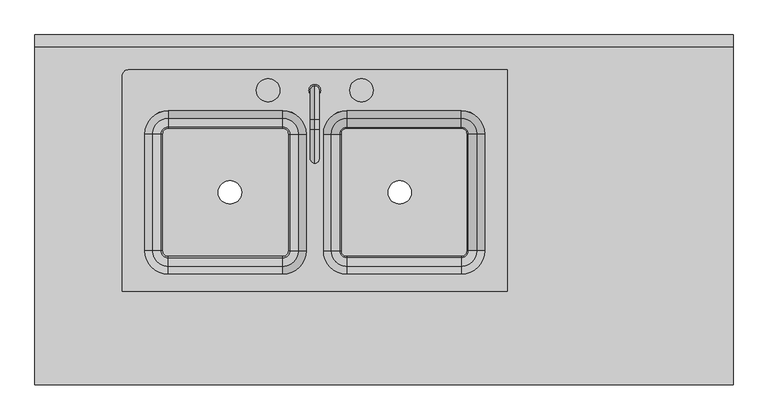
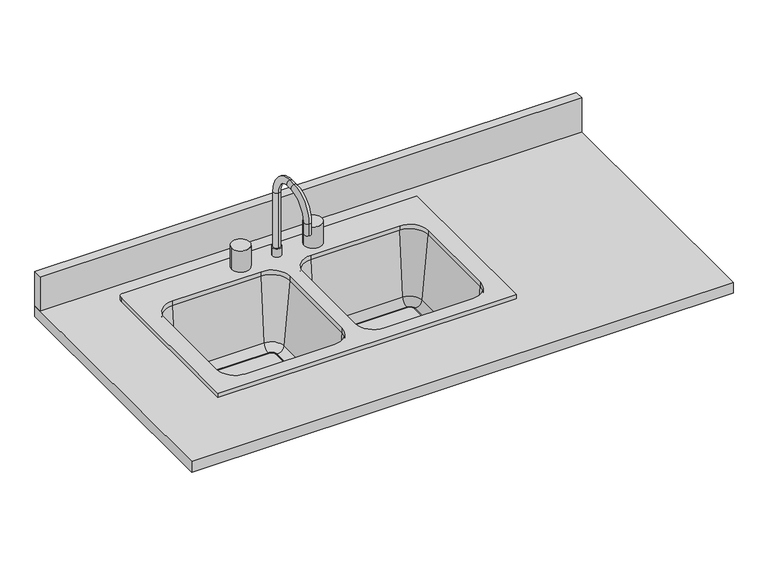
"""IFC4 building model written with IfcOpenShell, lengths in millimetres: furniture geometry."""

from ifc_helpers import new_model, si_unit, point, frame, frame_2d, origin, place, context, project, spatial, polyline, circle_curve, ellipse_curve, trimmed, segment, composite_curve, outline, extrude, source, transform, mapped, element, save
from ifc_brep_helpers import plane_surface, cylinder_surface, revolved_surface, advanced_brep


def furniture_a6cc3b6c(model_context):
    return source(origin(), model_context, "Body", "SolidModel", [
        advanced_brep(
        [(268.2875, 177.8, 927.1), (-557.2125, 177.8, 927.1), (-569.9125, 165.1, 927.1), (-569.9125, -304.8, 927.1), (268.2875, -304.8, 927.1), (-220.6625, 88.9, 927.1), (-169.8625, 38.1, 927.1), (-169.8625, -215.9, 927.1), (-220.6625, -266.7, 927.1), (-469.9, -266.7, 927.1), (-520.7, -215.9, 927.1), (-520.7, 38.1, 927.1), (-469.9, 88.9, 927.1), (-80.9625, -266.7, 927.1), (-131.7625, -215.9, 927.1), (-131.7625, 38.1, 927.1), (-80.9625, 88.9, 927.1), (168.275, 88.9, 927.1), (219.075, 38.1, 927.1), (219.075, -215.9, 927.1), (168.275, -266.7, 927.1), (268.2875, 177.8, 914.4), (268.2875, -304.8, 914.4), (-569.9125, -304.8, 914.4), (-569.9125, 165.1, 914.4), (-557.2125, 177.8, 914.4), (-80.9625, 95.25, 914.4), (-138.1125, 38.1, 914.4), (-138.1125, -215.9, 914.4), (-80.9625, -273.05, 914.4), (168.275, -273.05, 914.4), (225.425, -215.9, 914.4), (225.425, 38.1, 914.4), (168.275, 95.25, 914.4), (-163.5125, 38.1, 914.4), (-220.6625, 95.25, 914.4), (-469.9, 95.25, 914.4), (-527.05, 38.1, 914.4), (-527.05, -215.9, 914.4), (-469.9, -273.05, 914.4), (-220.6625, -273.05, 914.4), (-163.5125, -215.9, 914.4), (-220.6625, 88.9, 914.4), (-169.8625, 38.1, 914.4), (-169.8625, -215.9, 914.4), (-220.6625, -266.7, 914.4), (-469.9, -266.7, 914.4), (-520.7, -215.9, 914.4), (-520.7, 38.1, 914.4), (-469.9, 88.9, 914.4), (-80.9625, -266.7, 914.4), (-131.7625, -215.9, 914.4), (-131.7625, 38.1, 914.4), (-80.9625, 88.9, 914.4), (168.275, 88.9, 914.4), (219.075, 38.1, 914.4), (219.075, -215.9, 914.4), (168.275, -266.7, 914.4), (-115.2284272, 38.1, 725.4146831), (-80.9625, 72.3659272, 725.4146831), (-96.2509182, 38.1, 708.025), (-80.9625, 53.3884182, 708.025), (-93.6625, 38.1, 708.025), (-80.9625, 50.8, 708.025), (-93.6625, 38.1, 698.5), (-80.9625, 50.8, 698.5), (-138.1125, 38.1, 698.5), (-80.9625, 95.25, 698.5), (-115.2284272, -215.9, 725.4146831), (-96.2509182, -215.9, 708.025), (-93.6625, -215.9, 708.025), (-93.6625, -215.9, 698.5), (-138.1125, -215.9, 698.5), (-80.9625, -250.1659272, 725.4146831), (-80.9625, -231.1884182, 708.025), (-80.9625, -228.6, 708.025), (-80.9625, -228.6, 698.5), (-80.9625, -273.05, 698.5), (168.275, -250.1659272, 725.4146831), (168.275, -231.1884182, 708.025), (168.275, -228.6, 708.025), (168.275, -228.6, 698.5), (168.275, -273.05, 698.5), (202.5409272, -215.9, 725.4146831), (183.5634182, -215.9, 708.025), (180.975, -215.9, 708.025), (180.975, -215.9, 698.5), (225.425, -215.9, 698.5), (202.5409272, 38.1, 725.4146831), (183.5634182, 38.1, 708.025), (180.975, 38.1, 708.025), (180.975, 38.1, 698.5), (225.425, 38.1, 698.5), (168.275, 72.3659272, 725.4146831), (168.275, 53.3884182, 708.025), (168.275, 50.8, 708.025), (168.275, 50.8, 698.5), (168.275, 95.25, 698.5), (-163.5125, 38.1, 698.5), (-220.6625, 95.25, 698.5), (-207.9625, 38.1, 698.5), (-220.6625, 50.8, 698.5), (-207.9625, 38.1, 708.025), (-220.6625, 50.8, 708.025), (-205.3740818, 38.1, 708.025), (-220.6625, 53.3884182, 708.025), (-186.3965728, 38.1, 725.4146831), (-220.6625, 72.3659272, 725.4146831), (-163.5125, -215.9, 698.5), (-207.9625, -215.9, 698.5), (-207.9625, -215.9, 708.025), (-205.3740818, -215.9, 708.025), (-186.3965728, -215.9, 725.4146831), (-220.6625, -273.05, 698.5), (-220.6625, -228.6, 698.5), (-220.6625, -228.6, 708.025), (-220.6625, -231.1884182, 708.025), (-220.6625, -250.1659272, 725.4146831), (-469.9, -273.05, 698.5), (-469.9, -228.6, 698.5), (-469.9, -228.6, 708.025), (-469.9, -231.1884182, 708.025), (-469.9, -250.1659272, 725.4146831), (-527.05, -215.9, 698.5), (-482.6, -215.9, 698.5), (-482.6, -215.9, 708.025), (-485.1884182, -215.9, 708.025), (-504.1659272, -215.9, 725.4146831), (-527.05, 38.1, 698.5), (-482.6, 38.1, 698.5), (-482.6, 38.1, 708.025), (-485.1884182, 38.1, 708.025), (-504.1659272, 38.1, 725.4146831), (-469.9, 95.25, 698.5), (-469.9, 50.8, 698.5), (-469.9, 50.8, 708.025), (-469.9, 53.3884182, 708.025), (-469.9, 72.3659272, 725.4146831)],
        [
            (0, 1),
            (1, 2, circle_curve(frame((-557.2125, 165.1, 927.1), z_axis=(0.0, 0.0, 1.0), x_axis=(1.0, 0.0, 0.0)), 12.7)),
            (2, 3),
            (3, 4),
            (4, 0),
            (5, 6, circle_curve(frame((-220.6625, 38.1, 927.1), z_axis=(0.0, 0.0, -1.0), x_axis=(1.0, 0.0, 0.0)), 50.8)),
            (6, 7),
            (7, 8, circle_curve(frame((-220.6625, -215.9, 927.1), z_axis=(0.0, 0.0, -1.0), x_axis=(1.0, 0.0, 0.0)), 50.8)),
            (8, 9),
            (9, 10, circle_curve(frame((-469.9, -215.9, 927.1), z_axis=(0.0, 0.0, -1.0), x_axis=(1.0, 0.0, 0.0)), 50.8)),
            (10, 11),
            (11, 12, circle_curve(frame((-469.9, 38.1, 927.1), z_axis=(0.0, 0.0, -1.0), x_axis=(1.0, 0.0, 0.0)), 50.8)),
            (12, 5),
            (13, 14, circle_curve(frame((-80.9625, -215.9, 927.1), z_axis=(0.0, 0.0, -1.0), x_axis=(1.0, 0.0, 0.0)), 50.8)),
            (14, 15),
            (15, 16, circle_curve(frame((-80.9625, 38.1, 927.1), z_axis=(0.0, 0.0, -1.0), x_axis=(1.0, 0.0, 0.0)), 50.8)),
            (16, 17),
            (17, 18, circle_curve(frame((168.275, 38.1, 927.1), z_axis=(0.0, 0.0, -1.0), x_axis=(1.0, 0.0, 0.0)), 50.8)),
            (18, 19),
            (19, 20, circle_curve(frame((168.275, -215.9, 927.1), z_axis=(0.0, 0.0, -1.0), x_axis=(1.0, 0.0, 0.0)), 50.8)),
            (20, 13),
            (21, 22),
            (22, 23),
            (23, 24),
            (24, 25, circle_curve(frame((-557.2125, 165.1, 914.4), z_axis=(0.0, 0.0, -1.0), x_axis=(1.0, 0.0, 0.0)), 12.7)),
            (25, 21),
            (26, 27, circle_curve(frame((-80.9625, 38.1, 914.4), z_axis=(0.0, 0.0, 1.0), x_axis=(0.0, 1.0, 0.0)), 57.15)),
            (27, 28),
            (28, 29, circle_curve(frame((-80.9625, -215.9, 914.4), z_axis=(0.0, 0.0, 1.0), x_axis=(-1.0, 0.0, 0.0)), 57.15)),
            (29, 30),
            (30, 31, circle_curve(frame((168.275, -215.9, 914.4), z_axis=(0.0, 0.0, 1.0), x_axis=(0.0, -1.0, 0.0)), 57.15)),
            (31, 32),
            (32, 33, circle_curve(frame((168.275, 38.1, 914.4), z_axis=(0.0, 0.0, 1.0), x_axis=(1.0, 0.0, 0.0)), 57.15)),
            (33, 26),
            (34, 35, circle_curve(frame((-220.6625, 38.1, 914.4), z_axis=(0.0, 0.0, 1.0), x_axis=(0.0, 1.0, 0.0)), 57.15)),
            (35, 36),
            (36, 37, circle_curve(frame((-469.9, 38.1, 914.4), z_axis=(0.0, 0.0, 1.0), x_axis=(-1.0, 0.0, 0.0)), 57.15)),
            (37, 38),
            (38, 39, circle_curve(frame((-469.9, -215.9, 914.4), z_axis=(0.0, 0.0, 1.0), x_axis=(0.0, -1.0, 0.0)), 57.15)),
            (39, 40),
            (40, 41, circle_curve(frame((-220.6625, -215.9, 914.4), z_axis=(0.0, 0.0, 1.0), x_axis=(1.0, 0.0, 0.0)), 57.15)),
            (41, 34),
            (0, 21),
            (25, 1),
            (24, 2),
            (23, 3),
            (22, 4),
            (5, 42),
            (42, 43, circle_curve(frame((-220.6625, 38.1, 914.4), z_axis=(0.0, 0.0, -1.0), x_axis=(1.0, 0.0, 0.0)), 50.8)),
            (43, 6),
            (43, 44),
            (44, 7),
            (44, 45, circle_curve(frame((-220.6625, -215.9, 914.4), z_axis=(0.0, 0.0, -1.0), x_axis=(1.0, 0.0, 0.0)), 50.8)),
            (45, 8),
            (45, 46),
            (46, 9),
            (46, 47, circle_curve(frame((-469.9, -215.9, 914.4), z_axis=(0.0, 0.0, -1.0), x_axis=(1.0, 0.0, 0.0)), 50.8)),
            (47, 10),
            (47, 48),
            (48, 11),
            (48, 49, circle_curve(frame((-469.9, 38.1, 914.4), z_axis=(0.0, 0.0, -1.0), x_axis=(1.0, 0.0, 0.0)), 50.8)),
            (49, 12),
            (49, 42),
            (13, 50),
            (50, 51, circle_curve(frame((-80.9625, -215.9, 914.4), z_axis=(0.0, 0.0, -1.0), x_axis=(1.0, 0.0, 0.0)), 50.8)),
            (51, 14),
            (51, 52),
            (52, 15),
            (52, 53, circle_curve(frame((-80.9625, 38.1, 914.4), z_axis=(0.0, 0.0, -1.0), x_axis=(1.0, 0.0, 0.0)), 50.8)),
            (53, 16),
            (53, 54),
            (54, 17),
            (54, 55, circle_curve(frame((168.275, 38.1, 914.4), z_axis=(0.0, 0.0, -1.0), x_axis=(1.0, 0.0, 0.0)), 50.8)),
            (55, 18),
            (55, 56),
            (56, 19),
            (56, 57, circle_curve(frame((168.275, -215.9, 914.4), z_axis=(0.0, 0.0, -1.0), x_axis=(1.0, 0.0, 0.0)), 50.8)),
            (57, 20),
            (57, 50),
            (58, 59, circle_curve(frame((-80.9625, 38.1, 725.4146831), z_axis=(0.0, 0.0, -1.0), x_axis=(0.0, 1.0, 0.0)), 34.2659272)),
            (59, 53),
            (52, 58),
            (58, 60, circle_curve(frame((-96.2509182, 38.1, 727.075), z_axis=(0.0, -1.0, 0.0), x_axis=(1.0, 0.0, 0.0)), 19.05)),
            (60, 61, circle_curve(frame((-80.9625, 38.1, 708.025), z_axis=(0.0, 0.0, -1.0), x_axis=(0.0, 1.0, 0.0)), 15.2884182)),
            (61, 59, circle_curve(frame((-80.9625, 53.3884182, 727.075), z_axis=(1.0, 0.0, 0.0), x_axis=(0.0, -1.0, 0.0)), 19.05)),
            (60, 62),
            (62, 63, circle_curve(frame((-80.9625, 38.1, 708.025), z_axis=(0.0, 0.0, -1.0), x_axis=(0.0, 1.0, 0.0)), 12.7)),
            (63, 61),
            (62, 64),
            (64, 65, circle_curve(frame((-80.9625, 38.1, 698.5), z_axis=(0.0, 0.0, -1.0), x_axis=(0.0, 1.0, 0.0)), 12.7)),
            (65, 63),
            (64, 66),
            (66, 67, circle_curve(frame((-80.9625, 38.1, 698.5), z_axis=(0.0, 0.0, -1.0), x_axis=(0.0, 1.0, 0.0)), 57.15)),
            (67, 65),
            (66, 27),
            (26, 67),
            (51, 68),
            (68, 58),
            (68, 69, circle_curve(frame((-96.2509182, -215.9, 727.075), z_axis=(0.0, -1.0, 0.0), x_axis=(1.0, 0.0, 0.0)), 19.05)),
            (69, 60),
            (69, 70),
            (70, 62),
            (70, 71),
            (71, 64),
            (71, 72),
            (72, 66),
            (72, 28),
            (50, 73),
            (73, 68, circle_curve(frame((-80.9625, -215.9, 725.4146831), z_axis=(0.0, 0.0, -1.0), x_axis=(-1.0, 0.0, 0.0)), 34.2659272)),
            (73, 74, circle_curve(frame((-80.9625, -231.1884182, 727.075), z_axis=(1.0, 0.0, 0.0), x_axis=(0.0, 1.0, 0.0)), 19.05)),
            (74, 69, circle_curve(frame((-80.9625, -215.9, 708.025), z_axis=(0.0, 0.0, -1.0), x_axis=(-1.0, 0.0, 0.0)), 15.2884182)),
            (74, 75),
            (75, 70, circle_curve(frame((-80.9625, -215.9, 708.025), z_axis=(0.0, 0.0, -1.0), x_axis=(-1.0, 0.0, 0.0)), 12.7)),
            (75, 76),
            (76, 71, circle_curve(frame((-80.9625, -215.9, 698.5), z_axis=(0.0, 0.0, -1.0), x_axis=(-1.0, 0.0, 0.0)), 12.7)),
            (76, 77),
            (77, 72, circle_curve(frame((-80.9625, -215.9, 698.5), z_axis=(0.0, 0.0, -1.0), x_axis=(-1.0, 0.0, 0.0)), 57.15)),
            (77, 29),
            (57, 78),
            (78, 73),
            (78, 79, circle_curve(frame((168.275, -231.1884182, 727.075), z_axis=(1.0, 0.0, 0.0), x_axis=(0.0, 1.0, 0.0)), 19.05)),
            (79, 74),
            (79, 80),
            (80, 75),
            (80, 81),
            (81, 76),
            (81, 82),
            (82, 77),
            (82, 30),
            (56, 83),
            (83, 78, circle_curve(frame((168.275, -215.9, 725.4146831), z_axis=(0.0, 0.0, -1.0), x_axis=(0.0, -1.0, 0.0)), 34.2659272)),
            (83, 84, circle_curve(frame((183.5634182, -215.9, 727.075), z_axis=(0.0, 1.0, 0.0), x_axis=(-1.0, 0.0, 0.0)), 19.05)),
            (84, 79, circle_curve(frame((168.275, -215.9, 708.025), z_axis=(0.0, 0.0, -1.0), x_axis=(0.0, -1.0, 0.0)), 15.2884182)),
            (84, 85),
            (85, 80, circle_curve(frame((168.275, -215.9, 708.025), z_axis=(0.0, 0.0, -1.0), x_axis=(0.0, -1.0, 0.0)), 12.7)),
            (85, 86),
            (86, 81, circle_curve(frame((168.275, -215.9, 698.5), z_axis=(0.0, 0.0, -1.0), x_axis=(0.0, -1.0, 0.0)), 12.7)),
            (86, 87),
            (87, 82, circle_curve(frame((168.275, -215.9, 698.5), z_axis=(0.0, 0.0, -1.0), x_axis=(0.0, -1.0, 0.0)), 57.15)),
            (87, 31),
            (55, 88),
            (88, 83),
            (88, 89, circle_curve(frame((183.5634182, 38.1, 727.075), z_axis=(0.0, 1.0, 0.0), x_axis=(-1.0, 0.0, 0.0)), 19.05)),
            (89, 84),
            (89, 90),
            (90, 85),
            (90, 91),
            (91, 86),
            (91, 92),
            (92, 87),
            (92, 32),
            (54, 93),
            (93, 88, circle_curve(frame((168.275, 38.1, 725.4146831), z_axis=(0.0, 0.0, -1.0), x_axis=(1.0, 0.0, 0.0)), 34.2659272)),
            (93, 94, circle_curve(frame((168.275, 53.3884182, 727.075), z_axis=(-1.0, 0.0, 0.0), x_axis=(0.0, -1.0, 0.0)), 19.05)),
            (94, 89, circle_curve(frame((168.275, 38.1, 708.025), z_axis=(0.0, 0.0, -1.0), x_axis=(1.0, 0.0, 0.0)), 15.2884182)),
            (94, 95),
            (95, 90, circle_curve(frame((168.275, 38.1, 708.025), z_axis=(0.0, 0.0, -1.0), x_axis=(1.0, 0.0, 0.0)), 12.7)),
            (95, 96),
            (96, 91, circle_curve(frame((168.275, 38.1, 698.5), z_axis=(0.0, 0.0, -1.0), x_axis=(1.0, 0.0, 0.0)), 12.7)),
            (96, 97),
            (97, 92, circle_curve(frame((168.275, 38.1, 698.5), z_axis=(0.0, 0.0, -1.0), x_axis=(1.0, 0.0, 0.0)), 57.15)),
            (97, 33),
            (59, 93),
            (61, 94),
            (63, 95),
            (65, 96),
            (67, 97),
            (98, 99, circle_curve(frame((-220.6625, 38.1, 698.5), z_axis=(0.0, 0.0, 1.0), x_axis=(0.0, 1.0, 0.0)), 57.15)),
            (99, 35),
            (34, 98),
            (98, 100),
            (100, 101, circle_curve(frame((-220.6625, 38.1, 698.5), z_axis=(0.0, 0.0, 1.0), x_axis=(0.0, 1.0, 0.0)), 12.7)),
            (101, 99),
            (100, 102),
            (102, 103, circle_curve(frame((-220.6625, 38.1, 708.025), z_axis=(0.0, 0.0, 1.0), x_axis=(0.0, 1.0, 0.0)), 12.7)),
            (103, 101),
            (102, 104),
            (104, 105, circle_curve(frame((-220.6625, 38.1, 708.025), z_axis=(0.0, 0.0, 1.0), x_axis=(0.0, 1.0, 0.0)), 15.2884182)),
            (105, 103),
            (104, 106, circle_curve(frame((-205.3740818, 38.1, 727.075), z_axis=(0.0, -1.0, 0.0), x_axis=(1.0, 0.0, 0.0)), 19.05)),
            (106, 107, circle_curve(frame((-220.6625, 38.1, 725.4146831), z_axis=(0.0, 0.0, 1.0), x_axis=(0.0, 1.0, 0.0)), 34.2659272)),
            (107, 105, circle_curve(frame((-220.6625, 53.3884182, 727.075), z_axis=(-1.0, 0.0, 0.0), x_axis=(0.0, 1.0, 0.0)), 19.05)),
            (106, 43),
            (42, 107),
            (41, 108),
            (108, 98),
            (108, 109),
            (109, 100),
            (109, 110),
            (110, 102),
            (110, 111),
            (111, 104),
            (111, 112, circle_curve(frame((-205.3740818, -215.9, 727.075), z_axis=(0.0, -1.0, 0.0), x_axis=(1.0, 0.0, 0.0)), 19.05)),
            (112, 106),
            (112, 44),
            (40, 113),
            (113, 108, circle_curve(frame((-220.6625, -215.9, 698.5), z_axis=(0.0, 0.0, 1.0), x_axis=(1.0, 0.0, 0.0)), 57.15)),
            (113, 114),
            (114, 109, circle_curve(frame((-220.6625, -215.9, 698.5), z_axis=(0.0, 0.0, 1.0), x_axis=(1.0, 0.0, 0.0)), 12.7)),
            (114, 115),
            (115, 110, circle_curve(frame((-220.6625, -215.9, 708.025), z_axis=(0.0, 0.0, 1.0), x_axis=(1.0, 0.0, 0.0)), 12.7)),
            (115, 116),
            (116, 111, circle_curve(frame((-220.6625, -215.9, 708.025), z_axis=(0.0, 0.0, 1.0), x_axis=(1.0, 0.0, 0.0)), 15.2884182)),
            (116, 117, circle_curve(frame((-220.6625, -231.1884182, 727.075), z_axis=(-1.0, 0.0, 0.0), x_axis=(0.0, -1.0, 0.0)), 19.05)),
            (117, 112, circle_curve(frame((-220.6625, -215.9, 725.4146831), z_axis=(0.0, 0.0, 1.0), x_axis=(1.0, 0.0, 0.0)), 34.2659272)),
            (117, 45),
            (39, 118),
            (118, 113),
            (118, 119),
            (119, 114),
            (119, 120),
            (120, 115),
            (120, 121),
            (121, 116),
            (121, 122, circle_curve(frame((-469.9, -231.1884182, 727.075), z_axis=(-1.0, 0.0, 0.0), x_axis=(0.0, -1.0, 0.0)), 19.05)),
            (122, 117),
            (122, 46),
            (38, 123),
            (123, 118, circle_curve(frame((-469.9, -215.9, 698.5), z_axis=(0.0, 0.0, 1.0), x_axis=(0.0, -1.0, 0.0)), 57.15)),
            (123, 124),
            (124, 119, circle_curve(frame((-469.9, -215.9, 698.5), z_axis=(0.0, 0.0, 1.0), x_axis=(0.0, -1.0, 0.0)), 12.7)),
            (124, 125),
            (125, 120, circle_curve(frame((-469.9, -215.9, 708.025), z_axis=(0.0, 0.0, 1.0), x_axis=(0.0, -1.0, 0.0)), 12.7)),
            (125, 126),
            (126, 121, circle_curve(frame((-469.9, -215.9, 708.025), z_axis=(0.0, 0.0, 1.0), x_axis=(0.0, -1.0, 0.0)), 15.2884182)),
            (126, 127, circle_curve(frame((-485.1884182, -215.9, 727.075), z_axis=(0.0, 1.0, 0.0), x_axis=(-1.0, 0.0, 0.0)), 19.05)),
            (127, 122, circle_curve(frame((-469.9, -215.9, 725.4146831), z_axis=(0.0, 0.0, 1.0), x_axis=(0.0, -1.0, 0.0)), 34.2659272)),
            (127, 47),
            (37, 128),
            (128, 123),
            (128, 129),
            (129, 124),
            (129, 130),
            (130, 125),
            (130, 131),
            (131, 126),
            (131, 132, circle_curve(frame((-485.1884182, 38.1, 727.075), z_axis=(0.0, 1.0, 0.0), x_axis=(-1.0, 0.0, 0.0)), 19.05)),
            (132, 127),
            (132, 48),
            (36, 133),
            (133, 128, circle_curve(frame((-469.9, 38.1, 698.5), z_axis=(0.0, 0.0, 1.0), x_axis=(-1.0, 0.0, 0.0)), 57.15)),
            (133, 134),
            (134, 129, circle_curve(frame((-469.9, 38.1, 698.5), z_axis=(0.0, 0.0, 1.0), x_axis=(-1.0, 0.0, 0.0)), 12.7)),
            (134, 135),
            (135, 130, circle_curve(frame((-469.9, 38.1, 708.025), z_axis=(0.0, 0.0, 1.0), x_axis=(-1.0, 0.0, 0.0)), 12.7)),
            (135, 136),
            (136, 131, circle_curve(frame((-469.9, 38.1, 708.025), z_axis=(0.0, 0.0, 1.0), x_axis=(-1.0, 0.0, 0.0)), 15.2884182)),
            (136, 137, circle_curve(frame((-469.9, 53.3884182, 727.075), z_axis=(1.0, 0.0, 0.0), x_axis=(0.0, 1.0, 0.0)), 19.05)),
            (137, 132, circle_curve(frame((-469.9, 38.1, 725.4146831), z_axis=(0.0, 0.0, 1.0), x_axis=(-1.0, 0.0, 0.0)), 34.2659272)),
            (137, 49),
            (99, 133),
            (101, 134),
            (103, 135),
            (105, 136),
            (107, 137),
        ],
        [
            plane_surface(frame((-557.2125, 177.8, 927.1), z_axis=(0.0, 0.0, 1.0), x_axis=(-1.0, 0.0, 0.0))),
            plane_surface(frame((-557.2125, 177.8, 914.4), z_axis=(0.0, 0.0, -1.0), x_axis=(1.0, 0.0, 0.0))),
            plane_surface(frame((268.2875, 177.8, 927.1), z_axis=(0.0, 1.0, 0.0), x_axis=(0.0, 0.0, -1.0))),
            cylinder_surface(frame((-557.2125, 165.1, 914.4), z_axis=(0.0, 0.0, 1.0), x_axis=(1.0, 0.0, 0.0)), 12.7),
            plane_surface(frame((-569.9125, 165.1, 927.1), z_axis=(-1.0, 0.0, 0.0), x_axis=(0.0, 0.0, -1.0))),
            plane_surface(frame((-569.9125, -304.8, 927.1), z_axis=(0.0, -1.0, 0.0), x_axis=(0.0, 0.0, -1.0))),
            plane_surface(frame((268.2875, -304.8, 927.1), z_axis=(1.0, 0.0, 0.0), x_axis=(0.0, 0.0, -1.0))),
            revolved_surface(polyline([(-169.8625, 38.1, 914.4), (-169.8625, 38.1, 927.1)]), (-220.6625, 38.1, 0.0), (0.0, 0.0, -1.0)),
            plane_surface(frame((-169.8625, 38.1, 927.1), z_axis=(-1.0, 0.0, 0.0), x_axis=(0.0, 0.0, -1.0))),
            revolved_surface(polyline([(-169.8625, -215.9, 914.4), (-169.8625, -215.9, 927.1)]), (-220.6625, -215.9, 0.0), (0.0, 0.0, -1.0)),
            plane_surface(frame((-220.6625, -266.7, 927.1), z_axis=(0.0, 1.0, 0.0), x_axis=(0.0, 0.0, -1.0))),
            revolved_surface(polyline([(-419.09999999999997, -215.9, 914.4), (-419.09999999999997, -215.9, 927.1)]), (-469.9, -215.9, 0.0), (0.0, 0.0, -1.0)),
            plane_surface(frame((-520.7, -215.9, 927.1), z_axis=(1.0, 0.0, 0.0), x_axis=(0.0, 0.0, -1.0))),
            revolved_surface(polyline([(-419.09999999999997, 38.1, 914.4), (-419.09999999999997, 38.1, 927.1)]), (-469.9, 38.1, 0.0), (0.0, 0.0, -1.0)),
            plane_surface(frame((-469.9, 88.9, 927.1), z_axis=(0.0, -1.0, 0.0), x_axis=(0.0, 0.0, -1.0))),
            revolved_surface(polyline([(-30.16250000000001, -215.9, 914.4), (-30.16250000000001, -215.9, 927.1)]), (-80.9625, -215.9, 0.0), (0.0, 0.0, -1.0)),
            plane_surface(frame((-131.7625, -215.9, 927.1), z_axis=(1.0, 0.0, 0.0), x_axis=(0.0, 0.0, -1.0))),
            revolved_surface(polyline([(-30.16250000000001, 38.1, 914.4), (-30.16250000000001, 38.1, 927.1)]), (-80.9625, 38.1, 0.0), (0.0, 0.0, -1.0)),
            plane_surface(frame((-80.9625, 88.9, 927.1), z_axis=(0.0, -1.0, 0.0), x_axis=(0.0, 0.0, -1.0))),
            revolved_surface(polyline([(219.075, 38.1, 914.4), (219.075, 38.1, 927.1)]), (168.275, 38.1, 0.0), (0.0, 0.0, -1.0)),
            plane_surface(frame((219.075, 38.1, 927.1), z_axis=(-1.0, 0.0, 0.0), x_axis=(0.0, 0.0, -1.0))),
            revolved_surface(polyline([(219.075, -215.9, 914.4), (219.075, -215.9, 927.1)]), (168.275, -215.9, 0.0), (0.0, 0.0, -1.0)),
            plane_surface(frame((168.275, -266.7, 927.1), z_axis=(0.0, 1.0, 0.0), x_axis=(0.0, 0.0, -1.0))),
            revolved_surface(polyline([(-80.9625, 88.9, 914.4), (-80.9625, 72.3659272, 725.4146831)]), (-80.9625, 38.1, 0.0), (0.0, 0.0, 1.0)),
            revolved_surface(trimmed(ellipse_curve(frame((-80.9625, 53.3884182, 727.075), z_axis=(-1.0, 0.0, 0.0), x_axis=(0.0, -1.0, 0.0)), 19.05, 19.05), [point((-80.9625, 72.3659272, 725.4146831))], [point((-80.9625, 53.3884182, 708.025))], True, "CARTESIAN"), (-80.9625, 38.1, 0.0), (0.0, 0.0, 1.0)),
            plane_surface(frame((-80.9625, 38.1, 708.025), z_axis=(0.0, 0.0, 1.0), x_axis=(0.0, 1.0, 0.0))),
            revolved_surface(polyline([(-80.9625, 50.8, 708.025), (-80.9625, 50.8, 698.5)]), (-80.9625, 38.1, 0.0), (0.0, 0.0, 1.0)),
            plane_surface(frame((-80.9625, 38.1, 698.5), z_axis=(0.0, 0.0, -1.0), x_axis=(0.0, 1.0, 0.0))),
            cylinder_surface(frame((-80.9625, 38.1, 0.0), z_axis=(0.0, 0.0, 1.0), x_axis=(0.0, 1.0, 0.0)), 57.15),
            plane_surface(frame((-131.7625, 38.1, 914.4), z_axis=(0.996194698091745, 0.0, 0.08715574274766508), x_axis=(0.0, -1.0, 0.0))),
            revolved_surface(polyline([(-77.2009182, -215.9, 727.075), (-77.2009182, 38.1, 727.075)]), (-96.2509182, 38.1, 727.075), (0.0, -1.0, 0.0)),
            plane_surface(frame((-96.2509182, 38.1, 708.025), z_axis=(0.0, 0.0, 1.0), x_axis=(0.0, -1.0, 0.0))),
            plane_surface(frame((-93.6625, 38.1, 708.025), z_axis=(1.0, 0.0, 0.0), x_axis=(0.0, -1.0, 0.0))),
            plane_surface(frame((-93.6625, 38.1, 698.5), z_axis=(0.0, 0.0, -1.0), x_axis=(0.0, -1.0, 0.0))),
            plane_surface(frame((-138.1125, 38.1, 698.5), z_axis=(-1.0, 0.0, 0.0), x_axis=(0.0, -1.0, 0.0))),
            revolved_surface(polyline([(-131.7625, -215.9, 914.4), (-115.2284272, -215.9, 725.4146831)]), (-80.9625, -215.9, 0.0), (0.0, 0.0, 1.0)),
            revolved_surface(trimmed(ellipse_curve(frame((-96.2509182, -215.9, 727.075), z_axis=(0.0, -1.0, 0.0), x_axis=(1.0, 0.0, 0.0)), 19.05, 19.05), [point((-115.2284272, -215.9, 725.4146831))], [point((-96.2509182, -215.9, 708.025))], True, "CARTESIAN"), (-80.9625, -215.9, 0.0), (0.0, 0.0, 1.0)),
            plane_surface(frame((-80.9625, -215.9, 708.025), z_axis=(0.0, 0.0, 1.0), x_axis=(-1.0, 0.0, 0.0))),
            revolved_surface(polyline([(-93.66250000000001, -215.9, 708.025), (-93.66250000000001, -215.9, 698.5)]), (-80.9625, -215.9, 0.0), (0.0, 0.0, 1.0)),
            plane_surface(frame((-80.9625, -215.9, 698.5), z_axis=(0.0, 0.0, -1.0), x_axis=(-1.0, 0.0, 0.0))),
            cylinder_surface(frame((-80.9625, -215.9, 0.0), z_axis=(0.0, 0.0, 1.0), x_axis=(-1.0, 0.0, 0.0)), 57.15),
            plane_surface(frame((-80.9625, -266.7, 914.4), z_axis=(0.0, 0.996194698091745, 0.08715574274766508), x_axis=(1.0, 0.0, 0.0))),
            revolved_surface(polyline([(168.275, -212.1384182, 727.075), (-80.9625, -212.1384182, 727.075)]), (-80.9625, -231.1884182, 727.075), (1.0, 0.0, 0.0)),
            plane_surface(frame((-80.9625, -231.1884182, 708.025), z_axis=(0.0, 0.0, 1.0), x_axis=(1.0, 0.0, 0.0))),
            plane_surface(frame((-80.9625, -228.6, 708.025), z_axis=(0.0, 1.0, 0.0), x_axis=(1.0, 0.0, 0.0))),
            plane_surface(frame((-80.9625, -228.6, 698.5), z_axis=(0.0, 0.0, -1.0), x_axis=(1.0, 0.0, 0.0))),
            plane_surface(frame((-80.9625, -273.05, 698.5), z_axis=(0.0, -1.0, 0.0), x_axis=(1.0, 0.0, 0.0))),
            revolved_surface(polyline([(168.275, -266.7, 914.4), (168.275, -250.1659272, 725.4146831)]), (168.275, -215.9, 0.0), (0.0, 0.0, 1.0)),
            revolved_surface(trimmed(ellipse_curve(frame((168.275, -231.1884182, 727.075), z_axis=(1.0, 0.0, 0.0), x_axis=(0.0, 1.0, 0.0)), 19.05, 19.05), [point((168.275, -250.1659272, 725.4146831))], [point((168.275, -231.1884182, 708.025))], True, "CARTESIAN"), (168.275, -215.9, 0.0), (0.0, 0.0, 1.0)),
            plane_surface(frame((168.275, -215.9, 708.025), z_axis=(0.0, 0.0, 1.0), x_axis=(0.0, -1.0, 0.0))),
            revolved_surface(polyline([(168.275, -228.6, 708.025), (168.275, -228.6, 698.5)]), (168.275, -215.9, 0.0), (0.0, 0.0, 1.0)),
            plane_surface(frame((168.275, -215.9, 698.5), z_axis=(0.0, 0.0, -1.0), x_axis=(0.0, -1.0, 0.0))),
            cylinder_surface(frame((168.275, -215.9, 0.0), z_axis=(0.0, 0.0, 1.0), x_axis=(0.0, -1.0, 0.0)), 57.15),
            plane_surface(frame((219.075, -215.9, 914.4), z_axis=(-0.996194698091745, 0.0, 0.08715574274766508), x_axis=(0.0, 1.0, 0.0))),
            revolved_surface(polyline([(164.5134182, 38.099999999999994, 727.075), (164.5134182, -215.9, 727.075)]), (183.5634182, -215.9, 727.075), (0.0, 1.0, 0.0)),
            plane_surface(frame((183.5634182, -215.9, 708.025), z_axis=(0.0, 0.0, 1.0), x_axis=(0.0, 1.0, 0.0))),
            plane_surface(frame((180.975, -215.9, 708.025), z_axis=(-1.0, 0.0, 0.0), x_axis=(0.0, 1.0, 0.0))),
            plane_surface(frame((180.975, -215.9, 698.5), z_axis=(0.0, 0.0, -1.0), x_axis=(0.0, 1.0, 0.0))),
            plane_surface(frame((225.425, -215.9, 698.5), z_axis=(1.0, 0.0, 0.0), x_axis=(0.0, 1.0, 0.0))),
            revolved_surface(polyline([(219.075, 38.1, 914.4), (202.5409272, 38.1, 725.4146831)]), (168.275, 38.1, 0.0), (0.0, 0.0, 1.0)),
            revolved_surface(trimmed(ellipse_curve(frame((183.5634182, 38.1, 727.075), z_axis=(0.0, 1.0, 0.0), x_axis=(-1.0, 0.0, 0.0)), 19.05, 19.05), [point((202.5409272, 38.1, 725.4146831))], [point((183.5634182, 38.1, 708.025))], True, "CARTESIAN"), (168.275, 38.1, 0.0), (0.0, 0.0, 1.0)),
            plane_surface(frame((168.275, 38.1, 708.025), z_axis=(0.0, 0.0, 1.0), x_axis=(1.0, 0.0, 0.0))),
            revolved_surface(polyline([(180.975, 38.1, 708.025), (180.975, 38.1, 698.5)]), (168.275, 38.1, 0.0), (0.0, 0.0, 1.0)),
            plane_surface(frame((168.275, 38.1, 698.5), z_axis=(0.0, 0.0, -1.0), x_axis=(1.0, 0.0, 0.0))),
            cylinder_surface(frame((168.275, 38.1, 0.0), z_axis=(0.0, 0.0, 1.0), x_axis=(1.0, 0.0, 0.0)), 57.15),
            plane_surface(frame((168.275, 88.9, 914.4), z_axis=(0.0, -0.996194698091745, 0.08715574274766508), x_axis=(-1.0, 0.0, 0.0))),
            revolved_surface(polyline([(-80.9625, 34.33841819999999, 727.075), (168.275, 34.33841819999999, 727.075)]), (168.275, 53.3884182, 727.075), (-1.0, 0.0, 0.0)),
            plane_surface(frame((168.275, 53.3884182, 708.025), z_axis=(0.0, 0.0, 1.0), x_axis=(-1.0, 0.0, 0.0))),
            plane_surface(frame((168.275, 50.8, 708.025), z_axis=(0.0, -1.0, 0.0), x_axis=(-1.0, 0.0, 0.0))),
            plane_surface(frame((168.275, 50.8, 698.5), z_axis=(0.0, 0.0, -1.0), x_axis=(-1.0, 0.0, 0.0))),
            plane_surface(frame((168.275, 95.25, 698.5), z_axis=(0.0, 1.0, 0.0), x_axis=(-1.0, 0.0, 0.0))),
            cylinder_surface(frame((-220.6625, 38.1, 0.0), z_axis=(0.0, 0.0, -1.0), x_axis=(0.0, 1.0, 0.0)), 57.15),
            plane_surface(frame((-220.6625, 38.1, 698.5), z_axis=(0.0, 0.0, -1.0), x_axis=(0.0, 1.0, 0.0))),
            revolved_surface(polyline([(-220.6625, 50.8, 698.5), (-220.6625, 50.8, 708.025)]), (-220.6625, 38.1, 0.0), (0.0, 0.0, -1.0)),
            plane_surface(frame((-220.6625, 38.1, 708.025), z_axis=(0.0, 0.0, 1.0), x_axis=(0.0, 1.0, 0.0))),
            revolved_surface(trimmed(ellipse_curve(frame((-220.6625, 53.3884182, 727.075), z_axis=(1.0, 0.0, 0.0), x_axis=(0.0, 1.0, 0.0)), 19.05, 19.05), [point((-220.6625, 53.3884182, 708.025))], [point((-220.6625, 72.3659272, 725.4146831))], True, "CARTESIAN"), (-220.6625, 38.1, 0.0), (0.0, 0.0, -1.0)),
            revolved_surface(polyline([(-220.6625, 72.3659272, 725.4146831), (-220.6625, 88.9, 914.4)]), (-220.6625, 38.1, 0.0), (0.0, 0.0, -1.0)),
            plane_surface(frame((-163.5125, 38.1, 914.4), z_axis=(1.0, 0.0, 0.0), x_axis=(0.0, -1.0, 0.0))),
            plane_surface(frame((-163.5125, 38.1, 698.5), z_axis=(0.0, 0.0, -1.0), x_axis=(0.0, -1.0, 0.0))),
            plane_surface(frame((-207.9625, 38.1, 698.5), z_axis=(-1.0, 0.0, 0.0), x_axis=(0.0, -1.0, 0.0))),
            plane_surface(frame((-207.9625, 38.1, 708.025), z_axis=(0.0, 0.0, 1.0), x_axis=(0.0, -1.0, 0.0))),
            revolved_surface(polyline([(-186.3240818, -215.9, 727.075), (-186.3240818, 38.1, 727.075)]), (-205.3740818, 38.1, 727.075), (0.0, -1.0, 0.0)),
            plane_surface(frame((-186.3965728, 38.1, 725.4146831), z_axis=(-0.9961946980917439, 0.0, 0.08715574274767722), x_axis=(0.0, -1.0, 0.0))),
            cylinder_surface(frame((-220.6625, -215.9, 0.0), z_axis=(0.0, 0.0, -1.0), x_axis=(1.0, 0.0, 0.0)), 57.15),
            plane_surface(frame((-220.6625, -215.9, 698.5), z_axis=(0.0, 0.0, -1.0), x_axis=(1.0, 0.0, 0.0))),
            revolved_surface(polyline([(-207.9625, -215.9, 698.5), (-207.9625, -215.9, 708.025)]), (-220.6625, -215.9, 0.0), (0.0, 0.0, -1.0)),
            plane_surface(frame((-220.6625, -215.9, 708.025), z_axis=(0.0, 0.0, 1.0), x_axis=(1.0, 0.0, 0.0))),
            revolved_surface(trimmed(ellipse_curve(frame((-205.3740818, -215.9, 727.075), z_axis=(0.0, -1.0, 0.0), x_axis=(1.0, 0.0, 0.0)), 19.05, 19.05), [point((-205.3740818, -215.9, 708.025))], [point((-186.3965728, -215.9, 725.4146831))], True, "CARTESIAN"), (-220.6625, -215.9, 0.0), (0.0, 0.0, -1.0)),
            revolved_surface(polyline([(-186.3965728, -215.9, 725.4146831), (-169.8625, -215.9, 914.4)]), (-220.6625, -215.9, 0.0), (0.0, 0.0, -1.0)),
            plane_surface(frame((-220.6625, -273.05, 914.4), z_axis=(0.0, -1.0, 0.0), x_axis=(-1.0, 0.0, 0.0))),
            plane_surface(frame((-220.6625, -273.05, 698.5), z_axis=(0.0, 0.0, -1.0), x_axis=(-1.0, 0.0, 0.0))),
            plane_surface(frame((-220.6625, -228.6, 698.5), z_axis=(0.0, 1.0, 0.0), x_axis=(-1.0, 0.0, 0.0))),
            plane_surface(frame((-220.6625, -228.6, 708.025), z_axis=(0.0, 0.0, 1.0), x_axis=(-1.0, 0.0, 0.0))),
            revolved_surface(polyline([(-469.9, -250.2384182, 727.075), (-220.6625, -250.2384182, 727.075)]), (-220.6625, -231.1884182, 727.075), (-1.0, 0.0, 0.0)),
            plane_surface(frame((-220.6625, -250.1659272, 725.4146831), z_axis=(0.0, 0.9961946980917439, 0.08715574274767722), x_axis=(-1.0, 0.0, 0.0))),
            cylinder_surface(frame((-469.9, -215.9, 0.0), z_axis=(0.0, 0.0, -1.0), x_axis=(0.0, -1.0, 0.0)), 57.15),
            plane_surface(frame((-469.9, -215.9, 698.5), z_axis=(0.0, 0.0, -1.0), x_axis=(0.0, -1.0, 0.0))),
            revolved_surface(polyline([(-469.9, -228.6, 698.5), (-469.9, -228.6, 708.025)]), (-469.9, -215.9, 0.0), (0.0, 0.0, -1.0)),
            plane_surface(frame((-469.9, -215.9, 708.025), z_axis=(0.0, 0.0, 1.0), x_axis=(0.0, -1.0, 0.0))),
            revolved_surface(trimmed(ellipse_curve(frame((-469.9, -231.1884182, 727.075), z_axis=(-1.0, 0.0, 0.0), x_axis=(0.0, -1.0, 0.0)), 19.05, 19.05), [point((-469.9, -231.1884182, 708.025))], [point((-469.9, -250.1659272, 725.4146831))], True, "CARTESIAN"), (-469.9, -215.9, 0.0), (0.0, 0.0, -1.0)),
            revolved_surface(polyline([(-469.9, -250.1659272, 725.4146831), (-469.9, -266.7, 914.4)]), (-469.9, -215.9, 0.0), (0.0, 0.0, -1.0)),
            plane_surface(frame((-527.05, -215.9, 914.4), z_axis=(-1.0, 0.0, 0.0), x_axis=(0.0, 1.0, 0.0))),
            plane_surface(frame((-527.05, -215.9, 698.5), z_axis=(0.0, 0.0, -1.0), x_axis=(0.0, 1.0, 0.0))),
            plane_surface(frame((-482.6, -215.9, 698.5), z_axis=(1.0, 0.0, 0.0), x_axis=(0.0, 1.0, 0.0))),
            plane_surface(frame((-482.6, -215.9, 708.025), z_axis=(0.0, 0.0, 1.0), x_axis=(0.0, 1.0, 0.0))),
            revolved_surface(polyline([(-504.2384182, 38.099999999999994, 727.075), (-504.2384182, -215.9, 727.075)]), (-485.1884182, -215.9, 727.075), (0.0, 1.0, 0.0)),
            plane_surface(frame((-504.1659272, -215.9, 725.4146831), z_axis=(0.9961946980917439, 0.0, 0.08715574274767722), x_axis=(0.0, 1.0, 0.0))),
            cylinder_surface(frame((-469.9, 38.1, 0.0), z_axis=(0.0, 0.0, -1.0), x_axis=(-1.0, 0.0, 0.0)), 57.15),
            plane_surface(frame((-469.9, 38.1, 698.5), z_axis=(0.0, 0.0, -1.0), x_axis=(-1.0, 0.0, 0.0))),
            revolved_surface(polyline([(-482.59999999999997, 38.1, 698.5), (-482.59999999999997, 38.1, 708.025)]), (-469.9, 38.1, 0.0), (0.0, 0.0, -1.0)),
            plane_surface(frame((-469.9, 38.1, 708.025), z_axis=(0.0, 0.0, 1.0), x_axis=(-1.0, 0.0, 0.0))),
            revolved_surface(trimmed(ellipse_curve(frame((-485.1884182, 38.1, 727.075), z_axis=(0.0, 1.0, 0.0), x_axis=(-1.0, 0.0, 0.0)), 19.05, 19.05), [point((-485.1884182, 38.1, 708.025))], [point((-504.1659272, 38.1, 725.4146831))], True, "CARTESIAN"), (-469.9, 38.1, 0.0), (0.0, 0.0, -1.0)),
            revolved_surface(polyline([(-504.1659272, 38.1, 725.4146831), (-520.7, 38.1, 914.4)]), (-469.9, 38.1, 0.0), (0.0, 0.0, -1.0)),
            plane_surface(frame((-469.9, 95.25, 914.4), z_axis=(0.0, 1.0, 0.0), x_axis=(1.0, 0.0, 0.0))),
            plane_surface(frame((-469.9, 95.25, 698.5), z_axis=(0.0, 0.0, -1.0), x_axis=(1.0, 0.0, 0.0))),
            plane_surface(frame((-469.9, 50.8, 698.5), z_axis=(0.0, -1.0, 0.0), x_axis=(1.0, 0.0, 0.0))),
            plane_surface(frame((-469.9, 50.8, 708.025), z_axis=(0.0, 0.0, 1.0), x_axis=(1.0, 0.0, 0.0))),
            revolved_surface(polyline([(-220.6625, 72.4384182, 727.075), (-469.9, 72.4384182, 727.075)]), (-469.9, 53.3884182, 727.075), (1.0, 0.0, 0.0)),
            plane_surface(frame((-469.9, 72.3659272, 725.4146831), z_axis=(0.0, -0.9961946980917439, 0.08715574274767722), x_axis=(1.0, 0.0, 0.0))),
        ],
        [
            (0, [[1, 2, 3, 4, 5], [6, 7, 8, 9, 10, 11, 12, 13], [14, 15, 16, 17, 18, 19, 20, 21]]),
            (1, [[22, 23, 24, 25, 26], [27, 28, 29, 30, 31, 32, 33, 34], [35, 36, 37, 38, 39, 40, 41, 42]]),
            (2, [[-1, 43, -26, 44]]),
            (3, [[-2, -44, -25, 45]]),
            (4, [[-3, -45, -24, 46]]),
            (5, [[-4, -46, -23, 47]]),
            (6, [[-5, -47, -22, -43]]),
            (7, [[-6, 48, 49, 50]]),
            (8, [[-7, -50, 51, 52]]),
            (9, [[-8, -52, 53, 54]]),
            (10, [[-9, -54, 55, 56]]),
            (11, [[-10, -56, 57, 58]]),
            (12, [[-11, -58, 59, 60]]),
            (13, [[-12, -60, 61, 62]]),
            (14, [[-13, -62, 63, -48]]),
            (15, [[-14, 64, 65, 66]]),
            (16, [[-15, -66, 67, 68]]),
            (17, [[-16, -68, 69, 70]]),
            (18, [[-17, -70, 71, 72]]),
            (19, [[-18, -72, 73, 74]]),
            (20, [[-19, -74, 75, 76]]),
            (21, [[-20, -76, 77, 78]]),
            (22, [[-21, -78, 79, -64]]),
            (23, [[80, 81, -69, 82]]),
            (24, [[-80, 83, 84, 85]]),
            (25, [[-84, 86, 87, 88]]),
            (26, [[-87, 89, 90, 91]]),
            (27, [[-90, 92, 93, 94]]),
            (28, [[-93, 95, -27, 96]]),
            (29, [[-82, -67, 97, 98]]),
            (30, [[-83, -98, 99, 100]]),
            (31, [[-86, -100, 101, 102]]),
            (32, [[-89, -102, 103, 104]]),
            (33, [[-92, -104, 105, 106]]),
            (34, [[-95, -106, 107, -28]]),
            (35, [[-97, -65, 108, 109]]),
            (36, [[-99, -109, 110, 111]]),
            (37, [[-101, -111, 112, 113]]),
            (38, [[-103, -113, 114, 115]]),
            (39, [[-105, -115, 116, 117]]),
            (40, [[-107, -117, 118, -29]]),
            (41, [[-108, -79, 119, 120]]),
            (42, [[-110, -120, 121, 122]]),
            (43, [[-112, -122, 123, 124]]),
            (44, [[-114, -124, 125, 126]]),
            (45, [[-116, -126, 127, 128]]),
            (46, [[-118, -128, 129, -30]]),
            (47, [[-119, -77, 130, 131]]),
            (48, [[-121, -131, 132, 133]]),
            (49, [[-123, -133, 134, 135]]),
            (50, [[-125, -135, 136, 137]]),
            (51, [[-127, -137, 138, 139]]),
            (52, [[-129, -139, 140, -31]]),
            (53, [[-130, -75, 141, 142]]),
            (54, [[-132, -142, 143, 144]]),
            (55, [[-134, -144, 145, 146]]),
            (56, [[-136, -146, 147, 148]]),
            (57, [[-138, -148, 149, 150]]),
            (58, [[-140, -150, 151, -32]]),
            (59, [[-141, -73, 152, 153]]),
            (60, [[-143, -153, 154, 155]]),
            (61, [[-145, -155, 156, 157]]),
            (62, [[-147, -157, 158, 159]]),
            (63, [[-149, -159, 160, 161]]),
            (64, [[-151, -161, 162, -33]]),
            (65, [[-81, 163, -152, -71]]),
            (66, [[-85, 164, -154, -163]]),
            (67, [[-88, 165, -156, -164]]),
            (68, [[-91, 166, -158, -165]]),
            (69, [[-94, 167, -160, -166]]),
            (70, [[-96, -34, -162, -167]]),
            (71, [[168, 169, -35, 170]]),
            (72, [[-168, 171, 172, 173]]),
            (73, [[-172, 174, 175, 176]]),
            (74, [[-175, 177, 178, 179]]),
            (75, [[-178, 180, 181, 182]]),
            (76, [[-181, 183, -49, 184]]),
            (77, [[-170, -42, 185, 186]]),
            (78, [[-171, -186, 187, 188]]),
            (79, [[-174, -188, 189, 190]]),
            (80, [[-177, -190, 191, 192]]),
            (81, [[-180, -192, 193, 194]]),
            (82, [[-183, -194, 195, -51]]),
            (83, [[-185, -41, 196, 197]]),
            (84, [[-187, -197, 198, 199]]),
            (85, [[-189, -199, 200, 201]]),
            (86, [[-191, -201, 202, 203]]),
            (87, [[-193, -203, 204, 205]]),
            (88, [[-195, -205, 206, -53]]),
            (89, [[-196, -40, 207, 208]]),
            (90, [[-198, -208, 209, 210]]),
            (91, [[-200, -210, 211, 212]]),
            (92, [[-202, -212, 213, 214]]),
            (93, [[-204, -214, 215, 216]]),
            (94, [[-206, -216, 217, -55]]),
            (95, [[-207, -39, 218, 219]]),
            (96, [[-209, -219, 220, 221]]),
            (97, [[-211, -221, 222, 223]]),
            (98, [[-213, -223, 224, 225]]),
            (99, [[-215, -225, 226, 227]]),
            (100, [[-217, -227, 228, -57]]),
            (101, [[-218, -38, 229, 230]]),
            (102, [[-220, -230, 231, 232]]),
            (103, [[-222, -232, 233, 234]]),
            (104, [[-224, -234, 235, 236]]),
            (105, [[-226, -236, 237, 238]]),
            (106, [[-228, -238, 239, -59]]),
            (107, [[-229, -37, 240, 241]]),
            (108, [[-231, -241, 242, 243]]),
            (109, [[-233, -243, 244, 245]]),
            (110, [[-235, -245, 246, 247]]),
            (111, [[-237, -247, 248, 249]]),
            (112, [[-239, -249, 250, -61]]),
            (113, [[-169, 251, -240, -36]]),
            (114, [[-173, 252, -242, -251]]),
            (115, [[-176, 253, -244, -252]]),
            (116, [[-179, 254, -246, -253]]),
            (117, [[-182, 255, -248, -254]]),
            (118, [[-184, -63, -250, -255]]),
        ],
    ),
        extrude(outline(composite_curve([segment(trimmed(circle_curve(frame_2d((179.3875, 40.6884182)), 12.7), [point((179.3875, 53.3884182))], [point((192.0875, 40.6884182))], False, "CARTESIAN"), True, "CONTINUOUS"), segment(polyline([(192.0875, 40.6884182), (192.0875, -215.9)]), True, "CONTINUOUS"), segment(trimmed(circle_curve(frame_2d((179.3875, -215.9)), 12.7), [point((192.0875, -215.9))], [point((179.3875, -228.6))], False, "CARTESIAN"), True, "CONTINUOUS"), segment(polyline([(179.3875, -228.6), (-80.9625, -228.6)]), True, "CONTINUOUS"), segment(trimmed(circle_curve(frame_2d((-80.9625, -215.9)), 12.7), [point((-80.9625, -228.6))], [point((-93.6625, -215.9))], False, "CARTESIAN"), True, "CONTINUOUS"), segment(polyline([(-93.6625, -215.9), (-93.6625, 40.6884182)]), True, "CONTINUOUS"), segment(trimmed(circle_curve(frame_2d((-80.9625, 40.6884182)), 12.7), [point((-93.6625, 40.6884182))], [point((-80.9625, 53.3884182))], False, "CARTESIAN"), True, "CONTINUOUS"), segment(polyline([(-80.9625, 53.3884182), (179.3875, 53.3884182)]), True, "CONTINUOUS")], self_intersect=False), holes=[composite_curve([segment(trimmed(circle_curve(frame_2d((34.13125, -88.9)), 25.4), [point((8.73125, -88.9))], [point((59.53125, -88.9))], True, "CARTESIAN"), True, "CONTINUOUS"), segment(trimmed(circle_curve(frame_2d((34.13125, -88.9)), 25.4), [point((59.53125, -88.9))], [point((8.73125, -88.9))], True, "CARTESIAN"), True, "CONTINUOUS")], self_intersect=False)]), frame((0.0, 0.0, 698.5), z_axis=(0.0, 0.0, 1.0), x_axis=(1.0, 0.0, 0.0)), (0.0, 0.0, 1.0), 9.525),
        extrude(outline(composite_curve([segment(trimmed(circle_curve(frame_2d((-252.4125, 133.35)), 25.4), [point((-277.8125, 133.35))], [point((-227.0125, 133.35))], False, "CARTESIAN"), True, "CONTINUOUS"), segment(trimmed(circle_curve(frame_2d((-252.4125, 133.35)), 25.4), [point((-227.0125, 133.35))], [point((-277.8125, 133.35))], False, "CARTESIAN"), True, "CONTINUOUS")], self_intersect=False)), frame((0.0, 0.0, 927.1), z_axis=(0.0, 0.0, 1.0), x_axis=(1.0, 0.0, 0.0)), (0.0, 0.0, 1.0), 63.5),
        extrude(outline(composite_curve([segment(trimmed(circle_curve(frame_2d((-49.2125, 133.35)), 25.4), [point((-74.6125, 133.35))], [point((-23.8125, 133.35))], False, "CARTESIAN"), True, "CONTINUOUS"), segment(trimmed(circle_curve(frame_2d((-49.2125, 133.35)), 25.4), [point((-23.8125, 133.35))], [point((-74.6125, 133.35))], False, "CARTESIAN"), True, "CONTINUOUS")], self_intersect=False)), frame((0.0, 0.0, 927.1), z_axis=(0.0, 0.0, 1.0), x_axis=(1.0, 0.0, 0.0)), (0.0, 0.0, 1.0), 63.5),
        extrude(outline(composite_curve([segment(trimmed(circle_curve(frame_2d((-220.6625, 38.1)), 12.7), [point((-220.6625, 50.8))], [point((-207.9625, 38.1))], False, "CARTESIAN"), True, "CONTINUOUS"), segment(polyline([(-207.9625, 38.1), (-207.9625, -215.9)]), True, "CONTINUOUS"), segment(trimmed(circle_curve(frame_2d((-220.6625, -215.9)), 12.7), [point((-207.9625, -215.9))], [point((-220.6625, -228.6))], False, "CARTESIAN"), True, "CONTINUOUS"), segment(polyline([(-220.6625, -228.6), (-469.9, -228.6)]), True, "CONTINUOUS"), segment(trimmed(circle_curve(frame_2d((-469.9, -215.9)), 12.7), [point((-469.9, -228.6))], [point((-482.6, -215.9))], False, "CARTESIAN"), True, "CONTINUOUS"), segment(polyline([(-482.6, -215.9), (-482.6, 38.1)]), True, "CONTINUOUS"), segment(trimmed(circle_curve(frame_2d((-469.9, 38.1)), 12.7), [point((-482.6, 38.1))], [point((-469.9, 50.8))], False, "CARTESIAN"), True, "CONTINUOUS"), segment(polyline([(-469.9, 50.8), (-220.6625, 50.8)]), True, "CONTINUOUS")], self_intersect=False), holes=[composite_curve([segment(trimmed(circle_curve(frame_2d((-335.75625, -88.9)), 25.4), [point((-361.15625, -88.9))], [point((-310.35625, -88.9))], True, "CARTESIAN"), True, "CONTINUOUS"), segment(trimmed(circle_curve(frame_2d((-335.75625, -88.9)), 25.4), [point((-310.35625, -88.9))], [point((-361.15625, -88.9))], True, "CARTESIAN"), True, "CONTINUOUS")], self_intersect=False)]), frame((0.0, 0.0, 698.5), z_axis=(0.0, 0.0, 1.0), x_axis=(1.0, 0.0, 0.0)), (0.0, 0.0, 1.0), 9.525),
        advanced_brep(
        [(-163.5125, 133.35, 927.1), (-138.1125, 133.35, 927.1), (-150.8125, 142.875, 1114.425), (-150.8125, 123.825, 1114.425), (-150.8125, 123.825, 952.5), (-150.8125, 142.875, 952.5), (-150.8125, 69.85, 1187.45), (-150.8125, 69.85, 1168.4), (-150.8125, 47.625, 1168.4), (-150.8125, 47.625, 1187.45), (-150.8125, -25.4, 1114.425), (-150.8125, -6.35, 1114.425), (-150.8125, -25.4, 1079.5), (-150.8125, -6.35, 1079.5), (-163.5125, 133.35, 952.5), (-138.1125, 133.35, 952.5)],
        [
            (0, 1, circle_curve(frame((-150.8125, 133.35, 927.1), z_axis=(0.0, 0.0, -1.0), x_axis=(1.0, 0.0, 0.0)), 12.7)),
            (1, 0, circle_curve(frame((-150.8125, 133.35, 927.1), z_axis=(0.0, 0.0, -1.0), x_axis=(1.0, 0.0, 0.0)), 12.7)),
            (2, 3, circle_curve(frame((-150.8125, 133.35, 1114.425), z_axis=(0.0, 0.0, -1.0), x_axis=(0.0, -1.0, 0.0)), 9.525)),
            (3, 4),
            (4, 5, circle_curve(frame((-150.8125, 133.35, 952.5), z_axis=(0.0, 0.0, 1.0), x_axis=(0.0, -1.0, 0.0)), 9.525)),
            (5, 2),
            (3, 2, circle_curve(frame((-150.8125, 133.35, 1114.425), z_axis=(0.0, 0.0, -1.0), x_axis=(0.0, -1.0, 0.0)), 9.525)),
            (5, 4, circle_curve(frame((-150.8125, 133.35, 952.5), z_axis=(0.0, 0.0, 1.0), x_axis=(0.0, -1.0, 0.0)), 9.525)),
            (2, 6, circle_curve(frame((-150.8125, 69.85, 1114.425), z_axis=(1.0, 0.0, 0.0), x_axis=(0.0, 1.0, 0.0)), 73.025)),
            (6, 7, circle_curve(frame((-150.8125, 69.85, 1177.925), z_axis=(0.0, 1.0, 0.0), x_axis=(0.0, 0.0, -1.0)), 9.525)),
            (7, 3, circle_curve(frame((-150.8125, 69.85, 1114.425), z_axis=(-1.0, 0.0, 0.0), x_axis=(0.0, 1.0, 0.0)), 53.975)),
            (7, 6, circle_curve(frame((-150.8125, 69.85, 1177.925), z_axis=(0.0, 1.0, 0.0), x_axis=(0.0, 0.0, -1.0)), 9.525)),
            (8, 9, circle_curve(frame((-150.8125, 47.625, 1177.925), z_axis=(0.0, -1.0, 0.0), x_axis=(0.0, 0.0, -1.0)), 9.525)),
            (9, 10, circle_curve(frame((-150.8125, 47.625, 1114.425), z_axis=(1.0, 0.0, 0.0), x_axis=(0.0, 0.0, 1.0)), 73.025)),
            (10, 11, circle_curve(frame((-150.8125, -15.875, 1114.425), z_axis=(0.0, 0.0, 1.0), x_axis=(0.0, 1.0, 0.0)), 9.525)),
            (11, 8, circle_curve(frame((-150.8125, 47.625, 1114.425), z_axis=(-1.0, 0.0, 0.0), x_axis=(0.0, 0.0, 1.0)), 53.975)),
            (9, 8, circle_curve(frame((-150.8125, 47.625, 1177.925), z_axis=(0.0, -1.0, 0.0), x_axis=(0.0, 0.0, -1.0)), 9.525)),
            (11, 10, circle_curve(frame((-150.8125, -15.875, 1114.425), z_axis=(0.0, 0.0, 1.0), x_axis=(0.0, 1.0, 0.0)), 9.525)),
            (12, 13, circle_curve(frame((-150.8125, -15.875, 1079.5), z_axis=(0.0, 0.0, -1.0), x_axis=(0.0, 1.0, 0.0)), 9.525)),
            (13, 12, circle_curve(frame((-150.8125, -15.875, 1079.5), z_axis=(0.0, 0.0, -1.0), x_axis=(0.0, 1.0, 0.0)), 9.525)),
            (10, 12),
            (13, 11),
            (14, 15, circle_curve(frame((-150.8125, 133.35, 952.5), z_axis=(0.0, 0.0, 1.0), x_axis=(1.0, 0.0, 0.0)), 12.7)),
            (15, 14, circle_curve(frame((-150.8125, 133.35, 952.5), z_axis=(0.0, 0.0, 1.0), x_axis=(1.0, 0.0, 0.0)), 12.7)),
            (14, 0),
            (1, 15),
            (6, 9),
            (8, 7),
        ],
        [
            plane_surface(frame((-150.8125, 123.825, 927.1), z_axis=(0.0, 0.0, -1.0), x_axis=(1.0, 0.0, 0.0))),
            cylinder_surface(frame((-150.8125, 133.35, 927.1), z_axis=(0.0, 0.0, -1.0), x_axis=(0.0, -1.0, 0.0)), 9.525),
            revolved_surface(trimmed(ellipse_curve(frame((-150.8125, 133.35, 1114.425), z_axis=(0.0, 0.0, -1.0), x_axis=(0.0, -1.0, 0.0)), 9.525, 9.525), [point((-150.8125, 142.875, 1114.425))], [point((-150.8125, 123.825, 1114.425))], True, "CARTESIAN"), (-150.8125, 69.85, 1114.425), (1.0, 0.0, 0.0)),
            revolved_surface(trimmed(ellipse_curve(frame((-150.8125, 133.35, 1114.425), z_axis=(0.0, 0.0, -1.0), x_axis=(0.0, -1.0, 0.0)), 9.525, 9.525), [point((-150.8125, 123.825, 1114.425))], [point((-150.8125, 142.875, 1114.425))], True, "CARTESIAN"), (-150.8125, 69.85, 1114.425), (1.0, 0.0, 0.0)),
            revolved_surface(trimmed(ellipse_curve(frame((-150.8125, 47.625, 1177.925), z_axis=(0.0, 1.0, 0.0), x_axis=(0.0, 0.0, -1.0)), 9.525, 9.525), [point((-150.8125, 47.625, 1187.45))], [point((-150.8125, 47.625, 1168.4))], True, "CARTESIAN"), (-150.8125, 47.625, 1114.425), (1.0, 0.0, 0.0)),
            revolved_surface(trimmed(ellipse_curve(frame((-150.8125, 47.625, 1177.925), z_axis=(0.0, 1.0, 0.0), x_axis=(0.0, 0.0, -1.0)), 9.525, 9.525), [point((-150.8125, 47.625, 1168.4))], [point((-150.8125, 47.625, 1187.45))], True, "CARTESIAN"), (-150.8125, 47.625, 1114.425), (1.0, 0.0, 0.0)),
            plane_surface(frame((-150.8125, -25.4, 1079.5), z_axis=(0.0, 0.0, -1.0), x_axis=(-1.0, 0.0, 0.0))),
            cylinder_surface(frame((-150.8125, -15.875, 1114.425), z_axis=(0.0, 0.0, 1.0), x_axis=(0.0, 1.0, 0.0)), 9.525),
            plane_surface(frame((-138.1125, 133.35, 952.5), z_axis=(0.0, 0.0, 1.0), x_axis=(0.0, 1.0, 0.0))),
            cylinder_surface(frame((-150.8125, 133.35, 927.1), z_axis=(0.0, 0.0, 1.0), x_axis=(1.0, 0.0, 0.0)), 12.7),
            cylinder_surface(frame((-150.8125, 69.85, 1177.925), z_axis=(0.0, 1.0, 0.0), x_axis=(0.0, 0.0, -1.0)), 9.525),
        ],
        [
            (0, [[1, 2]]),
            (1, [[3, 4, 5, 6]]),
            (1, [[7, -6, 8, -4]]),
            (2, [[-3, 9, 10, 11]]),
            (3, [[-7, -11, 12, -9]]),
            (4, [[13, 14, 15, 16]]),
            (5, [[17, -16, 18, -14]]),
            (6, [[19, 20]]),
            (7, [[-15, 21, -20, 22]]),
            (7, [[-18, -22, -19, -21]]),
            (8, [[23, 24], [-5, -8]]),
            (9, [[-23, 25, -2, 26]]),
            (9, [[-24, -26, -1, -25]]),
            (10, [[-10, 27, -13, 28]]),
            (10, [[-12, -28, -17, -27]]),
        ],
    ),
        extrude(outline(polyline([(760.4125, 254.0), (760.4125, 228.6), (-760.4125, 228.6), (-760.4125, 254.0), (760.4125, 254.0)])), frame((0.0, 0.0, 914.4), z_axis=(0.0, 0.0, 1.0), x_axis=(1.0, 0.0, 0.0)), (0.0, 0.0, 1.0), 101.6),
        extrude(outline(polyline([(760.4125, 254.0), (760.4125, -508.0), (-760.4125, -508.0), (-760.4125, 254.0), (760.4125, 254.0)]), holes=[composite_curve([segment(polyline([(-531.8125, 63.5), (-531.8125, -241.3)]), True, "CONTINUOUS"), segment(trimmed(circle_curve(frame_2d((-506.4125, -241.3)), 25.4), [point((-531.8125, -241.3))], [point((-506.4125, -266.7))], True, "CARTESIAN"), True, "CONTINUOUS"), segment(polyline([(-506.4125, -266.7), (204.7875, -266.7)]), True, "CONTINUOUS"), segment(trimmed(circle_curve(frame_2d((204.7875, -241.3)), 25.4), [point((204.7875, -266.7))], [point((230.1875, -241.3))], True, "CARTESIAN"), True, "CONTINUOUS"), segment(polyline([(230.1875, -241.3), (230.1875, 63.5)]), True, "CONTINUOUS"), segment(trimmed(circle_curve(frame_2d((204.7875, 63.5)), 25.4), [point((230.1875, 63.5))], [point((204.7875, 88.9))], True, "CARTESIAN"), True, "CONTINUOUS"), segment(polyline([(204.7875, 88.9), (-506.4125, 88.9)]), True, "CONTINUOUS"), segment(trimmed(circle_curve(frame_2d((-506.4125, 63.5)), 25.4), [point((-506.4125, 88.9))], [point((-531.8125, 63.5))], True, "CARTESIAN"), True, "CONTINUOUS")], self_intersect=False)]), frame((0.0, 0.0, 882.65), z_axis=(0.0, 0.0, 1.0), x_axis=(1.0, 0.0, 0.0)), (0.0, 0.0, 1.0), 31.75),
    ])


if __name__ == "__main__":
    model = new_model("IFC4")
    model_context = context("Model", 3, world=origin())
    ifc_project = project(units=[si_unit("LENGTHUNIT", "METRE", prefix="MILLI")], contexts=[model_context])
    site = spatial("IfcSite", under=ifc_project)
    building = spatial("IfcBuilding", under=site)
    placement = place(None, origin())
    furniture_shape = furniture_a6cc3b6c(model_context)
    element("IfcFurniture", 1, at=placement, inside=building, context=model_context, shape_type="MappedRepresentation", body=[
        mapped(furniture_shape, transform((0.0, 0.0, 0.0), x_axis=(1.0, 0.0, 0.0), y_axis=(0.0, 1.0, 0.0), z_axis=(0.0, 0.0, 1.0))),
    ])
    save(model, "model.ifc")
